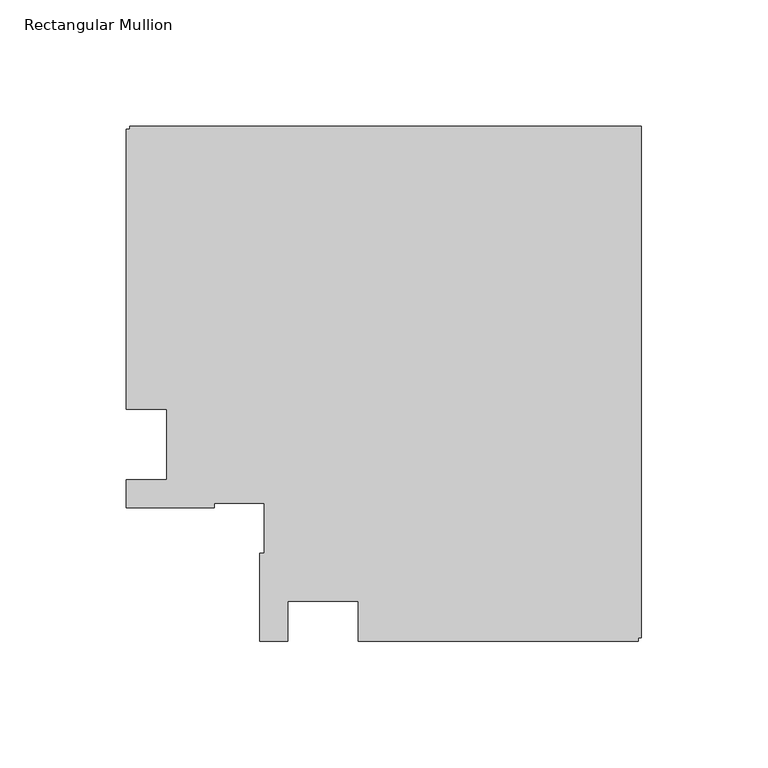
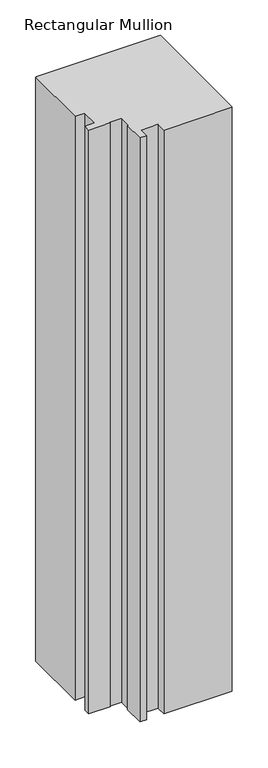
"""IFC4 building model written with IfcOpenShell, lengths in millimetres: member geometry, Rectangular Mullion."""

from ifc_helpers import new_model, si_unit, frame, origin, place, context, project, spatial, polyline, outline, extrude, source, transform, mapped, element, save


def rectangular_mullion_8866d49c(model_context):
    return source(origin(), model_context, "Body", "SweptSolid", [
        extrude(outline(polyline([(-112.2039366, -78.0481273), (-112.2039366, -62.0480986), (-140.2039366, -62.0480986), (-140.2039366, -78.0480986), (-151.2040012, -78.0480986), (-151.2040012, -43.0481011), (-149.5136517, -43.0481011), (-149.5136517, -23.3589699), (-169.2039146, -23.3589699), (-169.2039146, -25.0481206), (-204.2039408, -25.0481206), (-204.2039408, -14.0481206), (-188.2039146, -14.0481206), (-188.2039146, 13.95177), (-204.2039408, 13.95177), (-204.2039408, 124.9518583), (-202.703958, 124.9518583), (-202.703958, 126.155816), (0.0, 126.155816), (0.0, -76.548142), (-1.2039366, -76.548142), (-1.2039366, -78.0481273), (-112.2039366, -78.0481273)])), frame((0.0, 0.0, -1006.6595328), z_axis=(0.0, 0.0, 1.0), x_axis=(1.0, 0.0, 0.0)), (0.0, 0.0, 1.0), 1006.6595328),
    ])


if __name__ == "__main__":
    model = new_model("IFC4")
    model_context = context("Model", 3, world=origin())
    ifc_project = project(units=[si_unit("LENGTHUNIT", "METRE", prefix="MILLI")], contexts=[model_context])
    site = spatial("IfcSite", under=ifc_project)
    building = spatial("IfcBuilding", under=site)
    placement = place(None, origin())
    rectangular_mullion_shape = rectangular_mullion_8866d49c(model_context)
    element("IfcMember", 1, ObjectType="Rectangular Mullion", at=placement, inside=building, context=model_context, shape_type="MappedRepresentation", body=[
        mapped(rectangular_mullion_shape, transform((0.0, 0.0, 0.0), x_axis=(1.0, 0.0, 0.0), y_axis=(0.0, 1.0, 0.0), z_axis=(0.0, 0.0, 1.0))),
    ])
    save(model, "model.ifc")
